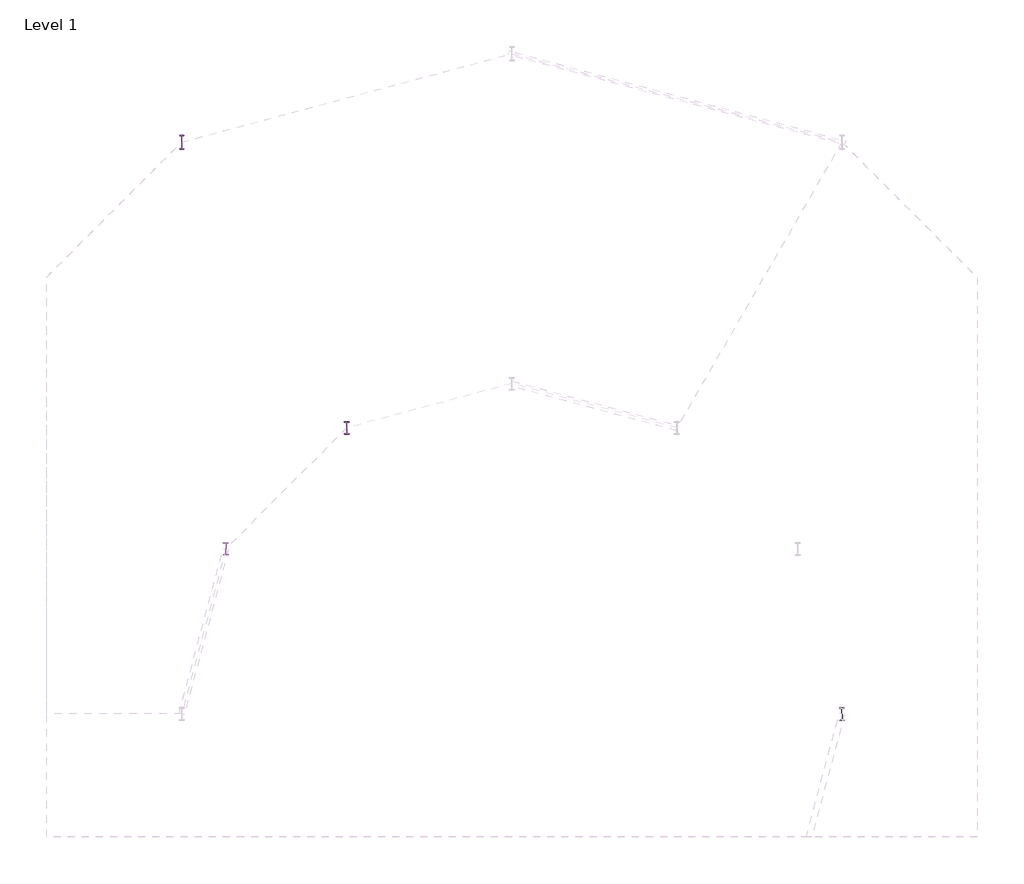
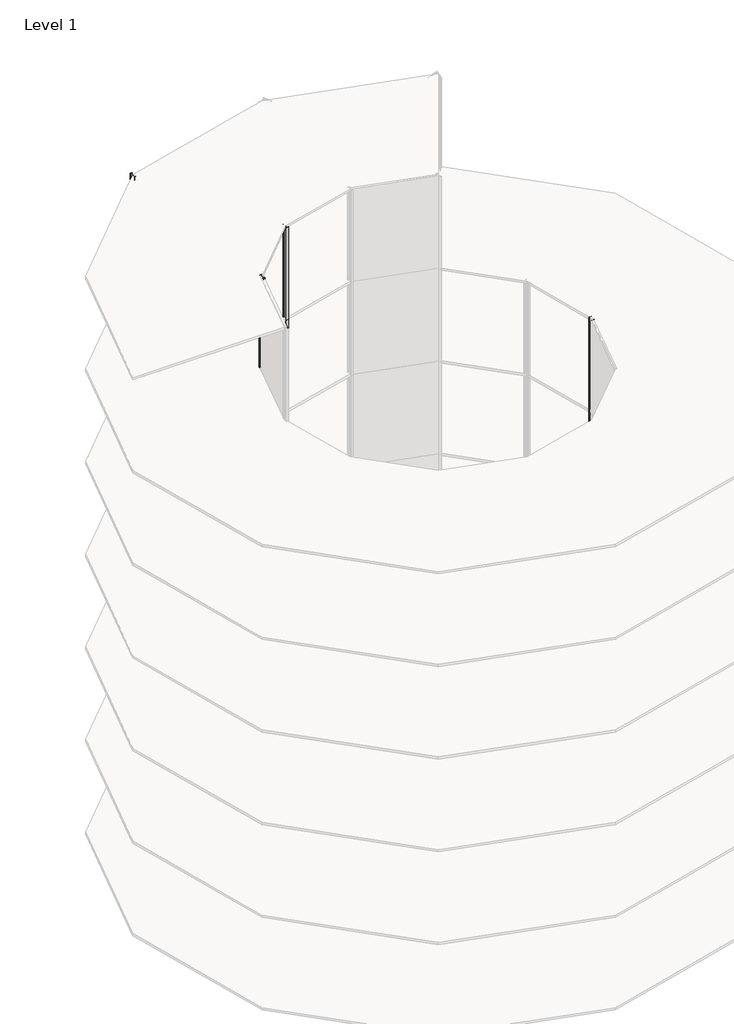
# One storey, part 6 of 9: 23 columns.
"""IFC4 building model written with IfcOpenShell, lengths in millimetres."""

from ifc_helpers import new_model, si_unit, point, frame, frame_2d, origin, origin_with_axes, place, context, project, spatial, polyline, circle_curve, trimmed, segment, composite_curve, outline, extrude, element, save

model = new_model("IFC4")

# Units and contexts
model_context = context("Model", 3, world=origin())
ifc_project = project(units=[si_unit("LENGTHUNIT", "METRE", prefix="MILLI")], contexts=[model_context])

# Site, building, storey
site = spatial("IfcSite", under=ifc_project)
building = spatial("IfcBuilding", under=site)
storey = spatial("IfcBuildingStorey", under=building, Name="Level 1", Elevation=0.0)

# Columns
placement = place(None, origin())
element("IfcColumn", 1, ObjectType="w shapes-column : W18X60", at=placement, inside=storey, context=model_context, shape_type="SweptSolid", body=[
    extrude(outline(composite_curve([segment(polyline([(12596.0124, 231.14), (12596.0124, 213.36), (12515.4944, 213.36)]), True, "CONTINUOUS"), segment(trimmed(circle_curve(frame_2d((12515.4944, 203.2)), 10.16), [point((12515.4944, 213.36))], [point((12505.3344, 203.2))], True, "CARTESIAN"), True, "CONTINUOUS"), segment(polyline([(12505.3344, 203.2), (12505.3344, -203.2)]), True, "CONTINUOUS"), segment(trimmed(circle_curve(frame_2d((12515.4944, -203.2)), 10.16), [point((12505.3344, -203.2))], [point((12515.4944, -213.36))], True, "CARTESIAN"), True, "CONTINUOUS"), segment(polyline([(12515.4944, -213.36), (12596.0124, -213.36), (12596.0124, -231.14), (12403.9884, -231.14), (12403.9884, -213.36), (12484.5064, -213.36)]), True, "CONTINUOUS"), segment(trimmed(circle_curve(frame_2d((12484.5064, -203.2)), 10.16), [point((12484.5064, -213.36))], [point((12494.6664, -203.2))], True, "CARTESIAN"), True, "CONTINUOUS"), segment(polyline([(12494.6664, -203.2), (12494.6664, 203.2)]), True, "CONTINUOUS"), segment(trimmed(circle_curve(frame_2d((12484.5064, 203.2)), 10.16), [point((12494.6664, 203.2))], [point((12484.5064, 213.36))], True, "CARTESIAN"), True, "CONTINUOUS"), segment(polyline([(12484.5064, 213.36), (12403.9884, 213.36), (12403.9884, 231.14), (12596.0124, 231.14)]), True, "CONTINUOUS")], self_intersect=False)), origin_with_axes(), (0.0, 0.0, 1.0), 8000.000256),
])
element("IfcColumn", 2, ObjectType="w shapes-column : W18X60", at=placement, inside=storey, context=model_context, shape_type="SweptSolid", body=[
    extrude(outline(composite_curve([segment(polyline([(12596.0124, 231.14), (12596.0124, 213.36), (12515.4944, 213.36)]), True, "CONTINUOUS"), segment(trimmed(circle_curve(frame_2d((12515.4944, 203.2)), 10.16), [point((12515.4944, 213.36))], [point((12505.3344, 203.2))], True, "CARTESIAN"), True, "CONTINUOUS"), segment(polyline([(12505.3344, 203.2), (12505.3344, -203.2)]), True, "CONTINUOUS"), segment(trimmed(circle_curve(frame_2d((12515.4944, -203.2)), 10.16), [point((12505.3344, -203.2))], [point((12515.4944, -213.36))], True, "CARTESIAN"), True, "CONTINUOUS"), segment(polyline([(12515.4944, -213.36), (12596.0124, -213.36), (12596.0124, -231.14), (12403.9884, -231.14), (12403.9884, -213.36), (12484.5064, -213.36)]), True, "CONTINUOUS"), segment(trimmed(circle_curve(frame_2d((12484.5064, -203.2)), 10.16), [point((12484.5064, -213.36))], [point((12494.6664, -203.2))], True, "CARTESIAN"), True, "CONTINUOUS"), segment(polyline([(12494.6664, -203.2), (12494.6664, 203.2)]), True, "CONTINUOUS"), segment(trimmed(circle_curve(frame_2d((12484.5064, 203.2)), 10.16), [point((12494.6664, 203.2))], [point((12484.5064, 213.36))], True, "CARTESIAN"), True, "CONTINUOUS"), segment(polyline([(12484.5064, 213.36), (12403.9884, 213.36), (12403.9884, 231.14), (12596.0124, 231.14)]), True, "CONTINUOUS")], self_intersect=False)), frame((0.0, 0.0, 8000.000256), z_axis=(0.0, 0.0, 1.0), x_axis=(1.0, 0.0, 0.0)), (0.0, 0.0, 1.0), 8000.000256),
])
element("IfcColumn", 3, ObjectType="w shapes-column : W18X60", at=placement, inside=storey, context=model_context, shape_type="SweptSolid", body=[
    extrude(outline(composite_curve([segment(polyline([(12596.0124, 231.14), (12596.0124, 213.36), (12515.4944, 213.36)]), True, "CONTINUOUS"), segment(trimmed(circle_curve(frame_2d((12515.4944, 203.2)), 10.16), [point((12515.4944, 213.36))], [point((12505.3344, 203.2))], True, "CARTESIAN"), True, "CONTINUOUS"), segment(polyline([(12505.3344, 203.2), (12505.3344, -203.2)]), True, "CONTINUOUS"), segment(trimmed(circle_curve(frame_2d((12515.4944, -203.2)), 10.16), [point((12505.3344, -203.2))], [point((12515.4944, -213.36))], True, "CARTESIAN"), True, "CONTINUOUS"), segment(polyline([(12515.4944, -213.36), (12596.0124, -213.36), (12596.0124, -231.14), (12403.9884, -231.14), (12403.9884, -213.36), (12484.5064, -213.36)]), True, "CONTINUOUS"), segment(trimmed(circle_curve(frame_2d((12484.5064, -203.2)), 10.16), [point((12484.5064, -213.36))], [point((12494.6664, -203.2))], True, "CARTESIAN"), True, "CONTINUOUS"), segment(polyline([(12494.6664, -203.2), (12494.6664, 203.2)]), True, "CONTINUOUS"), segment(trimmed(circle_curve(frame_2d((12484.5064, 203.2)), 10.16), [point((12494.6664, 203.2))], [point((12484.5064, 213.36))], True, "CARTESIAN"), True, "CONTINUOUS"), segment(polyline([(12484.5064, 213.36), (12403.9884, 213.36), (12403.9884, 231.14), (12596.0124, 231.14)]), True, "CONTINUOUS")], self_intersect=False)), frame((0.0, 0.0, 16000.000512), z_axis=(0.0, 0.0, 1.0), x_axis=(1.0, 0.0, 0.0)), (0.0, 0.0, 1.0), 8000.000256),
])
element("IfcColumn", 4, ObjectType="w shapes-column : W18X60", at=placement, inside=storey, context=model_context, shape_type="SweptSolid", body=[
    extrude(outline(composite_curve([segment(polyline([(12596.0124, 231.14), (12596.0124, 213.36), (12515.4944, 213.36)]), True, "CONTINUOUS"), segment(trimmed(circle_curve(frame_2d((12515.4944, 203.2)), 10.16), [point((12515.4944, 213.36))], [point((12505.3344, 203.2))], True, "CARTESIAN"), True, "CONTINUOUS"), segment(polyline([(12505.3344, 203.2), (12505.3344, -203.2)]), True, "CONTINUOUS"), segment(trimmed(circle_curve(frame_2d((12515.4944, -203.2)), 10.16), [point((12505.3344, -203.2))], [point((12515.4944, -213.36))], True, "CARTESIAN"), True, "CONTINUOUS"), segment(polyline([(12515.4944, -213.36), (12596.0124, -213.36), (12596.0124, -231.14), (12403.9884, -231.14), (12403.9884, -213.36), (12484.5064, -213.36)]), True, "CONTINUOUS"), segment(trimmed(circle_curve(frame_2d((12484.5064, -203.2)), 10.16), [point((12484.5064, -213.36))], [point((12494.6664, -203.2))], True, "CARTESIAN"), True, "CONTINUOUS"), segment(polyline([(12494.6664, -203.2), (12494.6664, 203.2)]), True, "CONTINUOUS"), segment(trimmed(circle_curve(frame_2d((12484.5064, 203.2)), 10.16), [point((12494.6664, 203.2))], [point((12484.5064, 213.36))], True, "CARTESIAN"), True, "CONTINUOUS"), segment(polyline([(12484.5064, 213.36), (12403.9884, 213.36), (12403.9884, 231.14), (12596.0124, 231.14)]), True, "CONTINUOUS")], self_intersect=False)), frame((0.0, 0.0, 24000.000768), z_axis=(0.0, 0.0, 1.0), x_axis=(1.0, 0.0, 0.0)), (0.0, 0.0, 1.0), 8000.000256),
])
element("IfcColumn", 5, ObjectType="w shapes-column : W18X60", at=placement, inside=storey, context=model_context, shape_type="SweptSolid", body=[
    extrude(outline(composite_curve([segment(polyline([(12596.0124, 231.14), (12596.0124, 213.36), (12515.4944, 213.36)]), True, "CONTINUOUS"), segment(trimmed(circle_curve(frame_2d((12515.4944, 203.2)), 10.16), [point((12515.4944, 213.36))], [point((12505.3344, 203.2))], True, "CARTESIAN"), True, "CONTINUOUS"), segment(polyline([(12505.3344, 203.2), (12505.3344, -203.2)]), True, "CONTINUOUS"), segment(trimmed(circle_curve(frame_2d((12515.4944, -203.2)), 10.16), [point((12505.3344, -203.2))], [point((12515.4944, -213.36))], True, "CARTESIAN"), True, "CONTINUOUS"), segment(polyline([(12515.4944, -213.36), (12596.0124, -213.36), (12596.0124, -231.14), (12403.9884, -231.14), (12403.9884, -213.36), (12484.5064, -213.36)]), True, "CONTINUOUS"), segment(trimmed(circle_curve(frame_2d((12484.5064, -203.2)), 10.16), [point((12484.5064, -213.36))], [point((12494.6664, -203.2))], True, "CARTESIAN"), True, "CONTINUOUS"), segment(polyline([(12494.6664, -203.2), (12494.6664, 203.2)]), True, "CONTINUOUS"), segment(trimmed(circle_curve(frame_2d((12484.5064, 203.2)), 10.16), [point((12494.6664, 203.2))], [point((12484.5064, 213.36))], True, "CARTESIAN"), True, "CONTINUOUS"), segment(polyline([(12484.5064, 213.36), (12403.9884, 213.36), (12403.9884, 231.14), (12596.0124, 231.14)]), True, "CONTINUOUS")], self_intersect=False)), frame((0.0, 0.0, 32000.001024), z_axis=(0.0, 0.0, 1.0), x_axis=(1.0, 0.0, 0.0)), (0.0, 0.0, 1.0), 8000.000256),
])
element("IfcColumn", 6, ObjectType="w shapes-column : W18X60", at=placement, inside=storey, context=model_context, shape_type="SweptSolid", body=[
    extrude(outline(composite_curve([segment(polyline([(12596.0124, 231.14), (12596.0124, 213.36), (12515.4944, 213.36)]), True, "CONTINUOUS"), segment(trimmed(circle_curve(frame_2d((12515.4944, 203.2)), 10.16), [point((12515.4944, 213.36))], [point((12505.3344, 203.2))], True, "CARTESIAN"), True, "CONTINUOUS"), segment(polyline([(12505.3344, 203.2), (12505.3344, -203.2)]), True, "CONTINUOUS"), segment(trimmed(circle_curve(frame_2d((12515.4944, -203.2)), 10.16), [point((12505.3344, -203.2))], [point((12515.4944, -213.36))], True, "CARTESIAN"), True, "CONTINUOUS"), segment(polyline([(12515.4944, -213.36), (12596.0124, -213.36), (12596.0124, -231.14), (12403.9884, -231.14), (12403.9884, -213.36), (12484.5064, -213.36)]), True, "CONTINUOUS"), segment(trimmed(circle_curve(frame_2d((12484.5064, -203.2)), 10.16), [point((12484.5064, -213.36))], [point((12494.6664, -203.2))], True, "CARTESIAN"), True, "CONTINUOUS"), segment(polyline([(12494.6664, -203.2), (12494.6664, 203.2)]), True, "CONTINUOUS"), segment(trimmed(circle_curve(frame_2d((12484.5064, 203.2)), 10.16), [point((12494.6664, 203.2))], [point((12484.5064, 213.36))], True, "CARTESIAN"), True, "CONTINUOUS"), segment(polyline([(12484.5064, 213.36), (12403.9884, 213.36), (12403.9884, 231.14), (12596.0124, 231.14)]), True, "CONTINUOUS")], self_intersect=False)), frame((0.0, 0.0, 40000.00128), z_axis=(0.0, 0.0, 1.0), x_axis=(1.0, 0.0, 0.0)), (0.0, 0.0, 1.0), 8000.000256),
])
element("IfcColumn", 7, ObjectType="w shapes-column : W18X60", at=placement, inside=storey, context=model_context, shape_type="SweptSolid", body=[
    extrude(outline(composite_curve([segment(polyline([(-6153.9882, 11056.4578937), (-6153.9882, 11038.6778937), (-6234.5062, 11038.6778937)]), True, "CONTINUOUS"), segment(trimmed(circle_curve(frame_2d((-6234.5062, 11028.5178937)), 10.16), [point((-6234.5062, 11038.6778937))], [point((-6244.6662, 11028.5178937))], True, "CARTESIAN"), True, "CONTINUOUS"), segment(polyline([(-6244.6662, 11028.5178937), (-6244.6662, 10622.1178937)]), True, "CONTINUOUS"), segment(trimmed(circle_curve(frame_2d((-6234.5062, 10622.1178937)), 10.16), [point((-6244.6662, 10622.1178937))], [point((-6234.5062, 10611.9578937))], True, "CARTESIAN"), True, "CONTINUOUS"), segment(polyline([(-6234.5062, 10611.9578937), (-6153.9882, 10611.9578937), (-6153.9882, 10594.1778937), (-6346.0122, 10594.1778937), (-6346.0122, 10611.9578937), (-6265.4942, 10611.9578937)]), True, "CONTINUOUS"), segment(trimmed(circle_curve(frame_2d((-6265.4942, 10622.1178937)), 10.16), [point((-6265.4942, 10611.9578937))], [point((-6255.3342, 10622.1178937))], True, "CARTESIAN"), True, "CONTINUOUS"), segment(polyline([(-6255.3342, 10622.1178937), (-6255.3342, 11028.5178937)]), True, "CONTINUOUS"), segment(trimmed(circle_curve(frame_2d((-6265.4942, 11028.5178937)), 10.16), [point((-6255.3342, 11028.5178937))], [point((-6265.4942, 11038.6778937))], True, "CARTESIAN"), True, "CONTINUOUS"), segment(polyline([(-6265.4942, 11038.6778937), (-6346.0122, 11038.6778937), (-6346.0122, 11056.4578937), (-6153.9882, 11056.4578937)]), True, "CONTINUOUS")], self_intersect=False)), origin_with_axes(), (0.0, 0.0, 1.0), 8000.000256),
])
element("IfcColumn", 8, ObjectType="w shapes-column : W18X60", at=placement, inside=storey, context=model_context, shape_type="SweptSolid", body=[
    extrude(outline(composite_curve([segment(polyline([(-6153.9882, 11056.4578937), (-6153.9882, 11038.6778937), (-6234.5062, 11038.6778937)]), True, "CONTINUOUS"), segment(trimmed(circle_curve(frame_2d((-6234.5062, 11028.5178937)), 10.16), [point((-6234.5062, 11038.6778937))], [point((-6244.6662, 11028.5178937))], True, "CARTESIAN"), True, "CONTINUOUS"), segment(polyline([(-6244.6662, 11028.5178937), (-6244.6662, 10622.1178937)]), True, "CONTINUOUS"), segment(trimmed(circle_curve(frame_2d((-6234.5062, 10622.1178937)), 10.16), [point((-6244.6662, 10622.1178937))], [point((-6234.5062, 10611.9578937))], True, "CARTESIAN"), True, "CONTINUOUS"), segment(polyline([(-6234.5062, 10611.9578937), (-6153.9882, 10611.9578937), (-6153.9882, 10594.1778937), (-6346.0122, 10594.1778937), (-6346.0122, 10611.9578937), (-6265.4942, 10611.9578937)]), True, "CONTINUOUS"), segment(trimmed(circle_curve(frame_2d((-6265.4942, 10622.1178937)), 10.16), [point((-6265.4942, 10611.9578937))], [point((-6255.3342, 10622.1178937))], True, "CARTESIAN"), True, "CONTINUOUS"), segment(polyline([(-6255.3342, 10622.1178937), (-6255.3342, 11028.5178937)]), True, "CONTINUOUS"), segment(trimmed(circle_curve(frame_2d((-6265.4942, 11028.5178937)), 10.16), [point((-6255.3342, 11028.5178937))], [point((-6265.4942, 11038.6778937))], True, "CARTESIAN"), True, "CONTINUOUS"), segment(polyline([(-6265.4942, 11038.6778937), (-6346.0122, 11038.6778937), (-6346.0122, 11056.4578937), (-6153.9882, 11056.4578937)]), True, "CONTINUOUS")], self_intersect=False)), frame((0.0, 0.0, 8000.000256), z_axis=(0.0, 0.0, 1.0), x_axis=(1.0, 0.0, 0.0)), (0.0, 0.0, 1.0), 8000.000256),
])
element("IfcColumn", 9, ObjectType="w shapes-column : W18X60", at=placement, inside=storey, context=model_context, shape_type="SweptSolid", body=[
    extrude(outline(composite_curve([segment(polyline([(-6153.9882, 11056.4578937), (-6153.9882, 11038.6778937), (-6234.5062, 11038.6778937)]), True, "CONTINUOUS"), segment(trimmed(circle_curve(frame_2d((-6234.5062, 11028.5178937)), 10.16), [point((-6234.5062, 11038.6778937))], [point((-6244.6662, 11028.5178937))], True, "CARTESIAN"), True, "CONTINUOUS"), segment(polyline([(-6244.6662, 11028.5178937), (-6244.6662, 10622.1178937)]), True, "CONTINUOUS"), segment(trimmed(circle_curve(frame_2d((-6234.5062, 10622.1178937)), 10.16), [point((-6244.6662, 10622.1178937))], [point((-6234.5062, 10611.9578937))], True, "CARTESIAN"), True, "CONTINUOUS"), segment(polyline([(-6234.5062, 10611.9578937), (-6153.9882, 10611.9578937), (-6153.9882, 10594.1778937), (-6346.0122, 10594.1778937), (-6346.0122, 10611.9578937), (-6265.4942, 10611.9578937)]), True, "CONTINUOUS"), segment(trimmed(circle_curve(frame_2d((-6265.4942, 10622.1178937)), 10.16), [point((-6265.4942, 10611.9578937))], [point((-6255.3342, 10622.1178937))], True, "CARTESIAN"), True, "CONTINUOUS"), segment(polyline([(-6255.3342, 10622.1178937), (-6255.3342, 11028.5178937)]), True, "CONTINUOUS"), segment(trimmed(circle_curve(frame_2d((-6265.4942, 11028.5178937)), 10.16), [point((-6255.3342, 11028.5178937))], [point((-6265.4942, 11038.6778937))], True, "CARTESIAN"), True, "CONTINUOUS"), segment(polyline([(-6265.4942, 11038.6778937), (-6346.0122, 11038.6778937), (-6346.0122, 11056.4578937), (-6153.9882, 11056.4578937)]), True, "CONTINUOUS")], self_intersect=False)), frame((0.0, 0.0, 16000.000512), z_axis=(0.0, 0.0, 1.0), x_axis=(1.0, 0.0, 0.0)), (0.0, 0.0, 1.0), 8000.000256),
])
element("IfcColumn", 10, ObjectType="w shapes-column : W18X60", at=placement, inside=storey, context=model_context, shape_type="SweptSolid", body=[
    extrude(outline(composite_curve([segment(polyline([(-6153.9882, 11056.4578937), (-6153.9882, 11038.6778937), (-6234.5062, 11038.6778937)]), True, "CONTINUOUS"), segment(trimmed(circle_curve(frame_2d((-6234.5062, 11028.5178937)), 10.16), [point((-6234.5062, 11038.6778937))], [point((-6244.6662, 11028.5178937))], True, "CARTESIAN"), True, "CONTINUOUS"), segment(polyline([(-6244.6662, 11028.5178937), (-6244.6662, 10622.1178937)]), True, "CONTINUOUS"), segment(trimmed(circle_curve(frame_2d((-6234.5062, 10622.1178937)), 10.16), [point((-6244.6662, 10622.1178937))], [point((-6234.5062, 10611.9578937))], True, "CARTESIAN"), True, "CONTINUOUS"), segment(polyline([(-6234.5062, 10611.9578937), (-6153.9882, 10611.9578937), (-6153.9882, 10594.1778937), (-6346.0122, 10594.1778937), (-6346.0122, 10611.9578937), (-6265.4942, 10611.9578937)]), True, "CONTINUOUS"), segment(trimmed(circle_curve(frame_2d((-6265.4942, 10622.1178937)), 10.16), [point((-6265.4942, 10611.9578937))], [point((-6255.3342, 10622.1178937))], True, "CARTESIAN"), True, "CONTINUOUS"), segment(polyline([(-6255.3342, 10622.1178937), (-6255.3342, 11028.5178937)]), True, "CONTINUOUS"), segment(trimmed(circle_curve(frame_2d((-6265.4942, 11028.5178937)), 10.16), [point((-6255.3342, 11028.5178937))], [point((-6265.4942, 11038.6778937))], True, "CARTESIAN"), True, "CONTINUOUS"), segment(polyline([(-6265.4942, 11038.6778937), (-6346.0122, 11038.6778937), (-6346.0122, 11056.4578937), (-6153.9882, 11056.4578937)]), True, "CONTINUOUS")], self_intersect=False)), frame((0.0, 0.0, 24000.000768), z_axis=(0.0, 0.0, 1.0), x_axis=(1.0, 0.0, 0.0)), (0.0, 0.0, 1.0), 8000.000256),
])
element("IfcColumn", 11, ObjectType="w shapes-column : W18X60", at=placement, inside=storey, context=model_context, shape_type="SweptSolid", body=[
    extrude(outline(composite_curve([segment(polyline([(-6153.9882, 11056.4578937), (-6153.9882, 11038.6778937), (-6234.5062, 11038.6778937)]), True, "CONTINUOUS"), segment(trimmed(circle_curve(frame_2d((-6234.5062, 11028.5178937)), 10.16), [point((-6234.5062, 11038.6778937))], [point((-6244.6662, 11028.5178937))], True, "CARTESIAN"), True, "CONTINUOUS"), segment(polyline([(-6244.6662, 11028.5178937), (-6244.6662, 10622.1178937)]), True, "CONTINUOUS"), segment(trimmed(circle_curve(frame_2d((-6234.5062, 10622.1178937)), 10.16), [point((-6244.6662, 10622.1178937))], [point((-6234.5062, 10611.9578937))], True, "CARTESIAN"), True, "CONTINUOUS"), segment(polyline([(-6234.5062, 10611.9578937), (-6153.9882, 10611.9578937), (-6153.9882, 10594.1778937), (-6346.0122, 10594.1778937), (-6346.0122, 10611.9578937), (-6265.4942, 10611.9578937)]), True, "CONTINUOUS"), segment(trimmed(circle_curve(frame_2d((-6265.4942, 10622.1178937)), 10.16), [point((-6265.4942, 10611.9578937))], [point((-6255.3342, 10622.1178937))], True, "CARTESIAN"), True, "CONTINUOUS"), segment(polyline([(-6255.3342, 10622.1178937), (-6255.3342, 11028.5178937)]), True, "CONTINUOUS"), segment(trimmed(circle_curve(frame_2d((-6265.4942, 11028.5178937)), 10.16), [point((-6255.3342, 11028.5178937))], [point((-6265.4942, 11038.6778937))], True, "CARTESIAN"), True, "CONTINUOUS"), segment(polyline([(-6265.4942, 11038.6778937), (-6346.0122, 11038.6778937), (-6346.0122, 11056.4578937), (-6153.9882, 11056.4578937)]), True, "CONTINUOUS")], self_intersect=False)), frame((0.0, 0.0, 32000.001024), z_axis=(0.0, 0.0, 1.0), x_axis=(1.0, 0.0, 0.0)), (0.0, 0.0, 1.0), 8000.000256),
])
element("IfcColumn", 12, ObjectType="w shapes-column : W18X60", at=placement, inside=storey, context=model_context, shape_type="SweptSolid", body=[
    extrude(outline(composite_curve([segment(polyline([(-6153.9882, 11056.4578937), (-6153.9882, 11038.6778937), (-6234.5062, 11038.6778937)]), True, "CONTINUOUS"), segment(trimmed(circle_curve(frame_2d((-6234.5062, 11028.5178937)), 10.16), [point((-6234.5062, 11038.6778937))], [point((-6244.6662, 11028.5178937))], True, "CARTESIAN"), True, "CONTINUOUS"), segment(polyline([(-6244.6662, 11028.5178937), (-6244.6662, 10622.1178937)]), True, "CONTINUOUS"), segment(trimmed(circle_curve(frame_2d((-6234.5062, 10622.1178937)), 10.16), [point((-6244.6662, 10622.1178937))], [point((-6234.5062, 10611.9578937))], True, "CARTESIAN"), True, "CONTINUOUS"), segment(polyline([(-6234.5062, 10611.9578937), (-6153.9882, 10611.9578937), (-6153.9882, 10594.1778937), (-6346.0122, 10594.1778937), (-6346.0122, 10611.9578937), (-6265.4942, 10611.9578937)]), True, "CONTINUOUS"), segment(trimmed(circle_curve(frame_2d((-6265.4942, 10622.1178937)), 10.16), [point((-6265.4942, 10611.9578937))], [point((-6255.3342, 10622.1178937))], True, "CARTESIAN"), True, "CONTINUOUS"), segment(polyline([(-6255.3342, 10622.1178937), (-6255.3342, 11028.5178937)]), True, "CONTINUOUS"), segment(trimmed(circle_curve(frame_2d((-6265.4942, 11028.5178937)), 10.16), [point((-6255.3342, 11028.5178937))], [point((-6265.4942, 11038.6778937))], True, "CARTESIAN"), True, "CONTINUOUS"), segment(polyline([(-6265.4942, 11038.6778937), (-6346.0122, 11038.6778937), (-6346.0122, 11056.4578937), (-6153.9882, 11056.4578937)]), True, "CONTINUOUS")], self_intersect=False)), frame((0.0, 0.0, 40000.00128), z_axis=(0.0, 0.0, 1.0), x_axis=(1.0, 0.0, 0.0)), (0.0, 0.0, 1.0), 8000.000256),
])
element("IfcColumn", 13, ObjectType="w shapes-column : W18X60", at=placement, inside=storey, context=model_context, shape_type="SweptSolid", body=[
    extrude(outline(composite_curve([segment(polyline([(-6153.9882, 11056.4578937), (-6153.9882, 11038.6778937), (-6234.5062, 11038.6778937)]), True, "CONTINUOUS"), segment(trimmed(circle_curve(frame_2d((-6234.5062, 11028.5178937)), 10.16), [point((-6234.5062, 11038.6778937))], [point((-6244.6662, 11028.5178937))], True, "CARTESIAN"), True, "CONTINUOUS"), segment(polyline([(-6244.6662, 11028.5178937), (-6244.6662, 10622.1178937)]), True, "CONTINUOUS"), segment(trimmed(circle_curve(frame_2d((-6234.5062, 10622.1178937)), 10.16), [point((-6244.6662, 10622.1178937))], [point((-6234.5062, 10611.9578937))], True, "CARTESIAN"), True, "CONTINUOUS"), segment(polyline([(-6234.5062, 10611.9578937), (-6153.9882, 10611.9578937), (-6153.9882, 10594.1778937), (-6346.0122, 10594.1778937), (-6346.0122, 10611.9578937), (-6265.4942, 10611.9578937)]), True, "CONTINUOUS"), segment(trimmed(circle_curve(frame_2d((-6265.4942, 10622.1178937)), 10.16), [point((-6265.4942, 10611.9578937))], [point((-6255.3342, 10622.1178937))], True, "CARTESIAN"), True, "CONTINUOUS"), segment(polyline([(-6255.3342, 10622.1178937), (-6255.3342, 11028.5178937)]), True, "CONTINUOUS"), segment(trimmed(circle_curve(frame_2d((-6265.4942, 11028.5178937)), 10.16), [point((-6255.3342, 11028.5178937))], [point((-6265.4942, 11038.6778937))], True, "CARTESIAN"), True, "CONTINUOUS"), segment(polyline([(-6265.4942, 11038.6778937), (-6346.0122, 11038.6778937), (-6346.0122, 11056.4578937), (-6153.9882, 11056.4578937)]), True, "CONTINUOUS")], self_intersect=False)), frame((0.0, 0.0, 48000.001536), z_axis=(0.0, 0.0, 1.0), x_axis=(1.0, 0.0, 0.0)), (0.0, 0.0, 1.0), 8000.000256),
])
element("IfcColumn", 14, ObjectType="w shapes-column : W18X60", at=placement, inside=storey, context=model_context, shape_type="SweptSolid", body=[
    extrude(outline(composite_curve([segment(polyline([(-10729.3058937, 6481.1402), (-10729.3058937, 6463.3602), (-10809.8238937, 6463.3602)]), True, "CONTINUOUS"), segment(trimmed(circle_curve(frame_2d((-10809.8238937, 6453.2002)), 10.16), [point((-10809.8238937, 6463.3602))], [point((-10819.9838937, 6453.2002))], True, "CARTESIAN"), True, "CONTINUOUS"), segment(polyline([(-10819.9838937, 6453.2002), (-10819.9838937, 6046.8002)]), True, "CONTINUOUS"), segment(trimmed(circle_curve(frame_2d((-10809.8238937, 6046.8002)), 10.16), [point((-10819.9838937, 6046.8002))], [point((-10809.8238937, 6036.6402))], True, "CARTESIAN"), True, "CONTINUOUS"), segment(polyline([(-10809.8238937, 6036.6402), (-10729.3058937, 6036.6402), (-10729.3058937, 6018.8602), (-10921.3298937, 6018.8602), (-10921.3298937, 6036.6402), (-10840.8118937, 6036.6402)]), True, "CONTINUOUS"), segment(trimmed(circle_curve(frame_2d((-10840.8118937, 6046.8002)), 10.16), [point((-10840.8118937, 6036.6402))], [point((-10830.6518937, 6046.8002))], True, "CARTESIAN"), True, "CONTINUOUS"), segment(polyline([(-10830.6518937, 6046.8002), (-10830.6518937, 6453.2002)]), True, "CONTINUOUS"), segment(trimmed(circle_curve(frame_2d((-10840.8118937, 6453.2002)), 10.16), [point((-10830.6518937, 6453.2002))], [point((-10840.8118937, 6463.3602))], True, "CARTESIAN"), True, "CONTINUOUS"), segment(polyline([(-10840.8118937, 6463.3602), (-10921.3298937, 6463.3602), (-10921.3298937, 6481.1402), (-10729.3058937, 6481.1402)]), True, "CONTINUOUS")], self_intersect=False)), frame((0.0, 0.0, 40000.00128), z_axis=(0.0, 0.0, 1.0), x_axis=(1.0, 0.0, 0.0)), (0.0, 0.0, 1.0), 8000.000256),
])
element("IfcColumn", 15, ObjectType="w shapes-column : W18X60", at=placement, inside=storey, context=model_context, shape_type="SweptSolid", body=[
    extrude(outline(composite_curve([segment(polyline([(-10729.3058937, 6481.1402), (-10729.3058937, 6463.3602), (-10809.8238937, 6463.3602)]), True, "CONTINUOUS"), segment(trimmed(circle_curve(frame_2d((-10809.8238937, 6453.2002)), 10.16), [point((-10809.8238937, 6463.3602))], [point((-10819.9838937, 6453.2002))], True, "CARTESIAN"), True, "CONTINUOUS"), segment(polyline([(-10819.9838937, 6453.2002), (-10819.9838937, 6046.8002)]), True, "CONTINUOUS"), segment(trimmed(circle_curve(frame_2d((-10809.8238937, 6046.8002)), 10.16), [point((-10819.9838937, 6046.8002))], [point((-10809.8238937, 6036.6402))], True, "CARTESIAN"), True, "CONTINUOUS"), segment(polyline([(-10809.8238937, 6036.6402), (-10729.3058937, 6036.6402), (-10729.3058937, 6018.8602), (-10921.3298937, 6018.8602), (-10921.3298937, 6036.6402), (-10840.8118937, 6036.6402)]), True, "CONTINUOUS"), segment(trimmed(circle_curve(frame_2d((-10840.8118937, 6046.8002)), 10.16), [point((-10840.8118937, 6036.6402))], [point((-10830.6518937, 6046.8002))], True, "CARTESIAN"), True, "CONTINUOUS"), segment(polyline([(-10830.6518937, 6046.8002), (-10830.6518937, 6453.2002)]), True, "CONTINUOUS"), segment(trimmed(circle_curve(frame_2d((-10840.8118937, 6453.2002)), 10.16), [point((-10830.6518937, 6453.2002))], [point((-10840.8118937, 6463.3602))], True, "CARTESIAN"), True, "CONTINUOUS"), segment(polyline([(-10840.8118937, 6463.3602), (-10921.3298937, 6463.3602), (-10921.3298937, 6481.1402), (-10729.3058937, 6481.1402)]), True, "CONTINUOUS")], self_intersect=False)), frame((0.0, 0.0, 48000.001536), z_axis=(0.0, 0.0, 1.0), x_axis=(1.0, 0.0, 0.0)), (0.0, 0.0, 1.0), 8000.000256),
])
element("IfcColumn", 16, ObjectType="w shapes-column : W18X60", at=placement, inside=storey, context=model_context, shape_type="SweptSolid", body=[
    extrude(outline(composite_curve([segment(polyline([(12596.0124, 231.14), (12596.0124, 213.36), (12515.4944, 213.36)]), True, "CONTINUOUS"), segment(trimmed(circle_curve(frame_2d((12515.4944, 203.2)), 10.16), [point((12515.4944, 213.36))], [point((12505.3344, 203.2))], True, "CARTESIAN"), True, "CONTINUOUS"), segment(polyline([(12505.3344, 203.2), (12505.3344, -203.2)]), True, "CONTINUOUS"), segment(trimmed(circle_curve(frame_2d((12515.4944, -203.2)), 10.16), [point((12505.3344, -203.2))], [point((12515.4944, -213.36))], True, "CARTESIAN"), True, "CONTINUOUS"), segment(polyline([(12515.4944, -213.36), (12596.0124, -213.36), (12596.0124, -231.14), (12403.9884, -231.14), (12403.9884, -213.36), (12484.5064, -213.36)]), True, "CONTINUOUS"), segment(trimmed(circle_curve(frame_2d((12484.5064, -203.2)), 10.16), [point((12484.5064, -213.36))], [point((12494.6664, -203.2))], True, "CARTESIAN"), True, "CONTINUOUS"), segment(polyline([(12494.6664, -203.2), (12494.6664, 203.2)]), True, "CONTINUOUS"), segment(trimmed(circle_curve(frame_2d((12484.5064, 203.2)), 10.16), [point((12494.6664, 203.2))], [point((12484.5064, 213.36))], True, "CARTESIAN"), True, "CONTINUOUS"), segment(polyline([(12484.5064, 213.36), (12403.9884, 213.36), (12403.9884, 231.14), (12596.0124, 231.14)]), True, "CONTINUOUS")], self_intersect=False)), origin_with_axes(), (0.0, 0.0, 1.0), 8000.000256),
])
element("IfcColumn", 17, ObjectType="w shapes-column : W21X50", at=placement, inside=storey, context=model_context, shape_type="SweptSolid", body=[
    extrude(outline(composite_curve([segment(polyline([(-12417.0694, 21914.7957874), (-12417.0694, 21901.0797874), (-12482.4744, 21901.0797874)]), True, "CONTINUOUS"), segment(trimmed(circle_curve(frame_2d((-12482.4744, 21888.3797874)), 12.7), [point((-12482.4744, 21901.0797874))], [point((-12495.1744, 21888.3797874))], True, "CARTESIAN"), True, "CONTINUOUS"), segment(polyline([(-12495.1744, 21888.3797874), (-12495.1744, 21412.8917874)]), True, "CONTINUOUS"), segment(trimmed(circle_curve(frame_2d((-12482.4744, 21412.8917874)), 12.7), [point((-12495.1744, 21412.8917874))], [point((-12482.4744, 21400.1917874))], True, "CARTESIAN"), True, "CONTINUOUS"), segment(polyline([(-12482.4744, 21400.1917874), (-12417.0694, 21400.1917874), (-12417.0694, 21386.4757874), (-12582.9314, 21386.4757874), (-12582.9314, 21400.1917874), (-12517.5264, 21400.1917874)]), True, "CONTINUOUS"), segment(trimmed(circle_curve(frame_2d((-12517.5264, 21412.8917874)), 12.7), [point((-12517.5264, 21400.1917874))], [point((-12504.8264, 21412.8917874))], True, "CARTESIAN"), True, "CONTINUOUS"), segment(polyline([(-12504.8264, 21412.8917874), (-12504.8264, 21888.3797874)]), True, "CONTINUOUS"), segment(trimmed(circle_curve(frame_2d((-12517.5264, 21888.3797874)), 12.7), [point((-12504.8264, 21888.3797874))], [point((-12517.5264, 21901.0797874))], True, "CARTESIAN"), True, "CONTINUOUS"), segment(polyline([(-12517.5264, 21901.0797874), (-12582.9314, 21901.0797874), (-12582.9314, 21914.7957874), (-12417.0694, 21914.7957874)]), True, "CONTINUOUS")], self_intersect=False)), origin_with_axes(), (0.0, 0.0, 1.0), 8000.000256),
])
element("IfcColumn", 18, ObjectType="w shapes-column : W21X50", at=placement, inside=storey, context=model_context, shape_type="SweptSolid", body=[
    extrude(outline(composite_curve([segment(polyline([(-12417.0694, 21914.7957874), (-12417.0694, 21901.0797874), (-12482.4744, 21901.0797874)]), True, "CONTINUOUS"), segment(trimmed(circle_curve(frame_2d((-12482.4744, 21888.3797874)), 12.7), [point((-12482.4744, 21901.0797874))], [point((-12495.1744, 21888.3797874))], True, "CARTESIAN"), True, "CONTINUOUS"), segment(polyline([(-12495.1744, 21888.3797874), (-12495.1744, 21412.8917874)]), True, "CONTINUOUS"), segment(trimmed(circle_curve(frame_2d((-12482.4744, 21412.8917874)), 12.7), [point((-12495.1744, 21412.8917874))], [point((-12482.4744, 21400.1917874))], True, "CARTESIAN"), True, "CONTINUOUS"), segment(polyline([(-12482.4744, 21400.1917874), (-12417.0694, 21400.1917874), (-12417.0694, 21386.4757874), (-12582.9314, 21386.4757874), (-12582.9314, 21400.1917874), (-12517.5264, 21400.1917874)]), True, "CONTINUOUS"), segment(trimmed(circle_curve(frame_2d((-12517.5264, 21412.8917874)), 12.7), [point((-12517.5264, 21400.1917874))], [point((-12504.8264, 21412.8917874))], True, "CARTESIAN"), True, "CONTINUOUS"), segment(polyline([(-12504.8264, 21412.8917874), (-12504.8264, 21888.3797874)]), True, "CONTINUOUS"), segment(trimmed(circle_curve(frame_2d((-12517.5264, 21888.3797874)), 12.7), [point((-12504.8264, 21888.3797874))], [point((-12517.5264, 21901.0797874))], True, "CARTESIAN"), True, "CONTINUOUS"), segment(polyline([(-12517.5264, 21901.0797874), (-12582.9314, 21901.0797874), (-12582.9314, 21914.7957874), (-12417.0694, 21914.7957874)]), True, "CONTINUOUS")], self_intersect=False)), frame((0.0, 0.0, 8000.000256), z_axis=(0.0, 0.0, 1.0), x_axis=(1.0, 0.0, 0.0)), (0.0, 0.0, 1.0), 8000.000256),
])
element("IfcColumn", 19, ObjectType="w shapes-column : W21X50", at=placement, inside=storey, context=model_context, shape_type="SweptSolid", body=[
    extrude(outline(composite_curve([segment(polyline([(-12417.0694, 21914.7957874), (-12417.0694, 21901.0797874), (-12482.4744, 21901.0797874)]), True, "CONTINUOUS"), segment(trimmed(circle_curve(frame_2d((-12482.4744, 21888.3797874)), 12.7), [point((-12482.4744, 21901.0797874))], [point((-12495.1744, 21888.3797874))], True, "CARTESIAN"), True, "CONTINUOUS"), segment(polyline([(-12495.1744, 21888.3797874), (-12495.1744, 21412.8917874)]), True, "CONTINUOUS"), segment(trimmed(circle_curve(frame_2d((-12482.4744, 21412.8917874)), 12.7), [point((-12495.1744, 21412.8917874))], [point((-12482.4744, 21400.1917874))], True, "CARTESIAN"), True, "CONTINUOUS"), segment(polyline([(-12482.4744, 21400.1917874), (-12417.0694, 21400.1917874), (-12417.0694, 21386.4757874), (-12582.9314, 21386.4757874), (-12582.9314, 21400.1917874), (-12517.5264, 21400.1917874)]), True, "CONTINUOUS"), segment(trimmed(circle_curve(frame_2d((-12517.5264, 21412.8917874)), 12.7), [point((-12517.5264, 21400.1917874))], [point((-12504.8264, 21412.8917874))], True, "CARTESIAN"), True, "CONTINUOUS"), segment(polyline([(-12504.8264, 21412.8917874), (-12504.8264, 21888.3797874)]), True, "CONTINUOUS"), segment(trimmed(circle_curve(frame_2d((-12517.5264, 21888.3797874)), 12.7), [point((-12504.8264, 21888.3797874))], [point((-12517.5264, 21901.0797874))], True, "CARTESIAN"), True, "CONTINUOUS"), segment(polyline([(-12517.5264, 21901.0797874), (-12582.9314, 21901.0797874), (-12582.9314, 21914.7957874), (-12417.0694, 21914.7957874)]), True, "CONTINUOUS")], self_intersect=False)), frame((0.0, 0.0, 16000.000512), z_axis=(0.0, 0.0, 1.0), x_axis=(1.0, 0.0, 0.0)), (0.0, 0.0, 1.0), 8000.000256),
])
element("IfcColumn", 20, ObjectType="w shapes-column : W21X50", at=placement, inside=storey, context=model_context, shape_type="SweptSolid", body=[
    extrude(outline(composite_curve([segment(polyline([(-12417.0694, 21914.7957874), (-12417.0694, 21901.0797874), (-12482.4744, 21901.0797874)]), True, "CONTINUOUS"), segment(trimmed(circle_curve(frame_2d((-12482.4744, 21888.3797874)), 12.7), [point((-12482.4744, 21901.0797874))], [point((-12495.1744, 21888.3797874))], True, "CARTESIAN"), True, "CONTINUOUS"), segment(polyline([(-12495.1744, 21888.3797874), (-12495.1744, 21412.8917874)]), True, "CONTINUOUS"), segment(trimmed(circle_curve(frame_2d((-12482.4744, 21412.8917874)), 12.7), [point((-12495.1744, 21412.8917874))], [point((-12482.4744, 21400.1917874))], True, "CARTESIAN"), True, "CONTINUOUS"), segment(polyline([(-12482.4744, 21400.1917874), (-12417.0694, 21400.1917874), (-12417.0694, 21386.4757874), (-12582.9314, 21386.4757874), (-12582.9314, 21400.1917874), (-12517.5264, 21400.1917874)]), True, "CONTINUOUS"), segment(trimmed(circle_curve(frame_2d((-12517.5264, 21412.8917874)), 12.7), [point((-12517.5264, 21400.1917874))], [point((-12504.8264, 21412.8917874))], True, "CARTESIAN"), True, "CONTINUOUS"), segment(polyline([(-12504.8264, 21412.8917874), (-12504.8264, 21888.3797874)]), True, "CONTINUOUS"), segment(trimmed(circle_curve(frame_2d((-12517.5264, 21888.3797874)), 12.7), [point((-12504.8264, 21888.3797874))], [point((-12517.5264, 21901.0797874))], True, "CARTESIAN"), True, "CONTINUOUS"), segment(polyline([(-12517.5264, 21901.0797874), (-12582.9314, 21901.0797874), (-12582.9314, 21914.7957874), (-12417.0694, 21914.7957874)]), True, "CONTINUOUS")], self_intersect=False)), frame((0.0, 0.0, 24000.000768), z_axis=(0.0, 0.0, 1.0), x_axis=(1.0, 0.0, 0.0)), (0.0, 0.0, 1.0), 8000.000256),
])
element("IfcColumn", 21, ObjectType="w shapes-column : W21X50", at=placement, inside=storey, context=model_context, shape_type="SweptSolid", body=[
    extrude(outline(composite_curve([segment(polyline([(-12417.0694, 21914.7957874), (-12417.0694, 21901.0797874), (-12482.4744, 21901.0797874)]), True, "CONTINUOUS"), segment(trimmed(circle_curve(frame_2d((-12482.4744, 21888.3797874)), 12.7), [point((-12482.4744, 21901.0797874))], [point((-12495.1744, 21888.3797874))], True, "CARTESIAN"), True, "CONTINUOUS"), segment(polyline([(-12495.1744, 21888.3797874), (-12495.1744, 21412.8917874)]), True, "CONTINUOUS"), segment(trimmed(circle_curve(frame_2d((-12482.4744, 21412.8917874)), 12.7), [point((-12495.1744, 21412.8917874))], [point((-12482.4744, 21400.1917874))], True, "CARTESIAN"), True, "CONTINUOUS"), segment(polyline([(-12482.4744, 21400.1917874), (-12417.0694, 21400.1917874), (-12417.0694, 21386.4757874), (-12582.9314, 21386.4757874), (-12582.9314, 21400.1917874), (-12517.5264, 21400.1917874)]), True, "CONTINUOUS"), segment(trimmed(circle_curve(frame_2d((-12517.5264, 21412.8917874)), 12.7), [point((-12517.5264, 21400.1917874))], [point((-12504.8264, 21412.8917874))], True, "CARTESIAN"), True, "CONTINUOUS"), segment(polyline([(-12504.8264, 21412.8917874), (-12504.8264, 21888.3797874)]), True, "CONTINUOUS"), segment(trimmed(circle_curve(frame_2d((-12517.5264, 21888.3797874)), 12.7), [point((-12504.8264, 21888.3797874))], [point((-12517.5264, 21901.0797874))], True, "CARTESIAN"), True, "CONTINUOUS"), segment(polyline([(-12517.5264, 21901.0797874), (-12582.9314, 21901.0797874), (-12582.9314, 21914.7957874), (-12417.0694, 21914.7957874)]), True, "CONTINUOUS")], self_intersect=False)), frame((0.0, 0.0, 32000.001024), z_axis=(0.0, 0.0, 1.0), x_axis=(1.0, 0.0, 0.0)), (0.0, 0.0, 1.0), 8000.000256),
])
element("IfcColumn", 22, ObjectType="w shapes-column : W21X50", at=placement, inside=storey, context=model_context, shape_type="SweptSolid", body=[
    extrude(outline(composite_curve([segment(polyline([(-12417.0694, 21914.7957874), (-12417.0694, 21901.0797874), (-12482.4744, 21901.0797874)]), True, "CONTINUOUS"), segment(trimmed(circle_curve(frame_2d((-12482.4744, 21888.3797874)), 12.7), [point((-12482.4744, 21901.0797874))], [point((-12495.1744, 21888.3797874))], True, "CARTESIAN"), True, "CONTINUOUS"), segment(polyline([(-12495.1744, 21888.3797874), (-12495.1744, 21412.8917874)]), True, "CONTINUOUS"), segment(trimmed(circle_curve(frame_2d((-12482.4744, 21412.8917874)), 12.7), [point((-12495.1744, 21412.8917874))], [point((-12482.4744, 21400.1917874))], True, "CARTESIAN"), True, "CONTINUOUS"), segment(polyline([(-12482.4744, 21400.1917874), (-12417.0694, 21400.1917874), (-12417.0694, 21386.4757874), (-12582.9314, 21386.4757874), (-12582.9314, 21400.1917874), (-12517.5264, 21400.1917874)]), True, "CONTINUOUS"), segment(trimmed(circle_curve(frame_2d((-12517.5264, 21412.8917874)), 12.7), [point((-12517.5264, 21400.1917874))], [point((-12504.8264, 21412.8917874))], True, "CARTESIAN"), True, "CONTINUOUS"), segment(polyline([(-12504.8264, 21412.8917874), (-12504.8264, 21888.3797874)]), True, "CONTINUOUS"), segment(trimmed(circle_curve(frame_2d((-12517.5264, 21888.3797874)), 12.7), [point((-12504.8264, 21888.3797874))], [point((-12517.5264, 21901.0797874))], True, "CARTESIAN"), True, "CONTINUOUS"), segment(polyline([(-12517.5264, 21901.0797874), (-12582.9314, 21901.0797874), (-12582.9314, 21914.7957874), (-12417.0694, 21914.7957874)]), True, "CONTINUOUS")], self_intersect=False)), frame((0.0, 0.0, 40000.00128), z_axis=(0.0, 0.0, 1.0), x_axis=(1.0, 0.0, 0.0)), (0.0, 0.0, 1.0), 8000.000256),
])
element("IfcColumn", 23, ObjectType="w shapes-column : W21X50", at=placement, inside=storey, context=model_context, shape_type="SweptSolid", body=[
    extrude(outline(composite_curve([segment(polyline([(-12417.0694, 21914.7957874), (-12417.0694, 21901.0797874), (-12482.4744, 21901.0797874)]), True, "CONTINUOUS"), segment(trimmed(circle_curve(frame_2d((-12482.4744, 21888.3797874)), 12.7), [point((-12482.4744, 21901.0797874))], [point((-12495.1744, 21888.3797874))], True, "CARTESIAN"), True, "CONTINUOUS"), segment(polyline([(-12495.1744, 21888.3797874), (-12495.1744, 21412.8917874)]), True, "CONTINUOUS"), segment(trimmed(circle_curve(frame_2d((-12482.4744, 21412.8917874)), 12.7), [point((-12495.1744, 21412.8917874))], [point((-12482.4744, 21400.1917874))], True, "CARTESIAN"), True, "CONTINUOUS"), segment(polyline([(-12482.4744, 21400.1917874), (-12417.0694, 21400.1917874), (-12417.0694, 21386.4757874), (-12582.9314, 21386.4757874), (-12582.9314, 21400.1917874), (-12517.5264, 21400.1917874)]), True, "CONTINUOUS"), segment(trimmed(circle_curve(frame_2d((-12517.5264, 21412.8917874)), 12.7), [point((-12517.5264, 21400.1917874))], [point((-12504.8264, 21412.8917874))], True, "CARTESIAN"), True, "CONTINUOUS"), segment(polyline([(-12504.8264, 21412.8917874), (-12504.8264, 21888.3797874)]), True, "CONTINUOUS"), segment(trimmed(circle_curve(frame_2d((-12517.5264, 21888.3797874)), 12.7), [point((-12504.8264, 21888.3797874))], [point((-12517.5264, 21901.0797874))], True, "CARTESIAN"), True, "CONTINUOUS"), segment(polyline([(-12517.5264, 21901.0797874), (-12582.9314, 21901.0797874), (-12582.9314, 21914.7957874), (-12417.0694, 21914.7957874)]), True, "CONTINUOUS")], self_intersect=False)), frame((0.0, 0.0, 48000.001536), z_axis=(0.0, 0.0, 1.0), x_axis=(1.0, 0.0, 0.0)), (0.0, 0.0, 1.0), 8000.000256),
])

save(model, "model.ifc")
